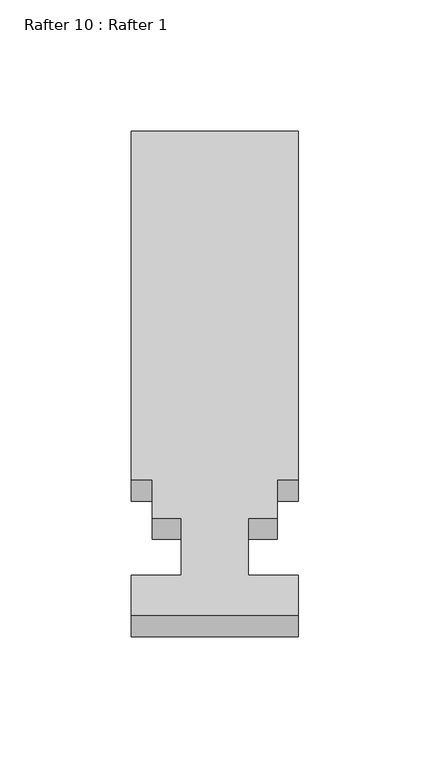
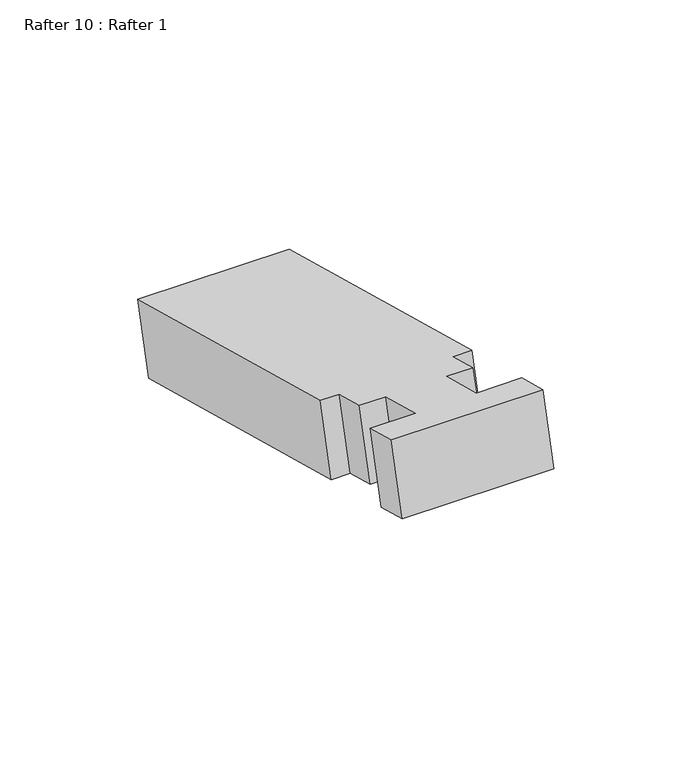
"""IFC4 building model written with IfcOpenShell, lengths in millimetres: proxy geometry, Rafter 10 : Rafter 1."""

from ifc_helpers import new_model, si_unit, frame, origin, place, context, project, spatial, polyline, outline, extrude, source, transform, mapped, element, save


def rafter_10_rafter_1_1a35f7e5(model_context):
    return source(origin(), model_context, "Body", "SweptSolid", [
        extrude(outline(polyline([(0.0, 0.0), (63.5, 0.0), (63.5, -137.3378), (55.5752, -137.3378), (55.5752, -152.4), (44.45, -152.4), (44.45, -174.879), (63.5, -174.879), (63.5, -190.7539999), (0.0, -190.7539999), (0.0, -174.879), (19.05, -174.879), (19.05, -152.4), (7.9248, -152.4), (7.9248, -137.3378), (0.0, -137.3378), (0.0, 0.0)])), frame((-4207.6084739, 6649.4289328, 922.1901794), z_axis=(0.0, 0.25881904510252424, 0.9659258262890674), x_axis=(1.0, 0.0, 0.0)), (0.0, 0.0, 1.0), 31.236513),
    ])


if __name__ == "__main__":
    model = new_model("IFC4")
    model_context = context("Model", 3, world=origin())
    ifc_project = project(units=[si_unit("LENGTHUNIT", "METRE", prefix="MILLI")], contexts=[model_context])
    site = spatial("IfcSite", under=ifc_project)
    building = spatial("IfcBuilding", under=site)
    placement = place(None, origin())
    rafter_10_rafter_1_shape = rafter_10_rafter_1_1a35f7e5(model_context)
    element("IfcBuildingElementProxy", 1, Name="Rafter 10 : Rafter 1", ObjectType="Rafter 10 : Rafter 1", at=placement, inside=building, context=model_context, shape_type="MappedRepresentation", body=[
        mapped(rafter_10_rafter_1_shape, transform((0.0, 0.0, 0.0), x_axis=(1.0, 0.0, 0.0), y_axis=(0.0, 1.0, 0.0), z_axis=(0.0, 0.0, 1.0))),
    ])
    save(model, "model.ifc")
